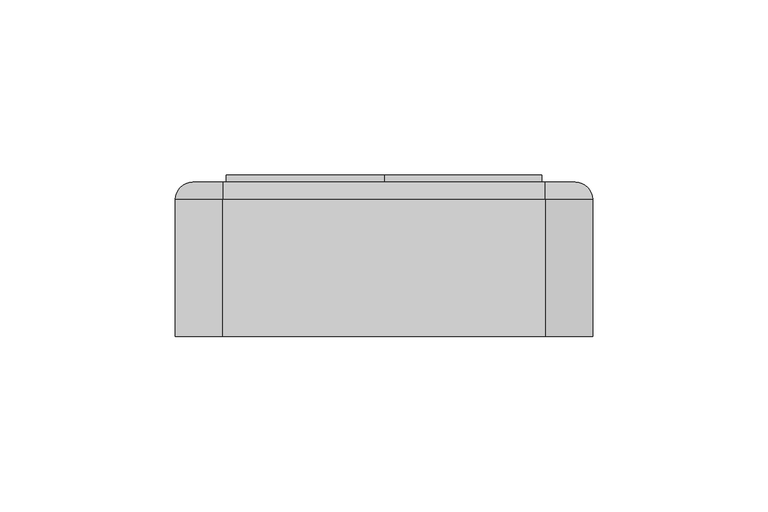
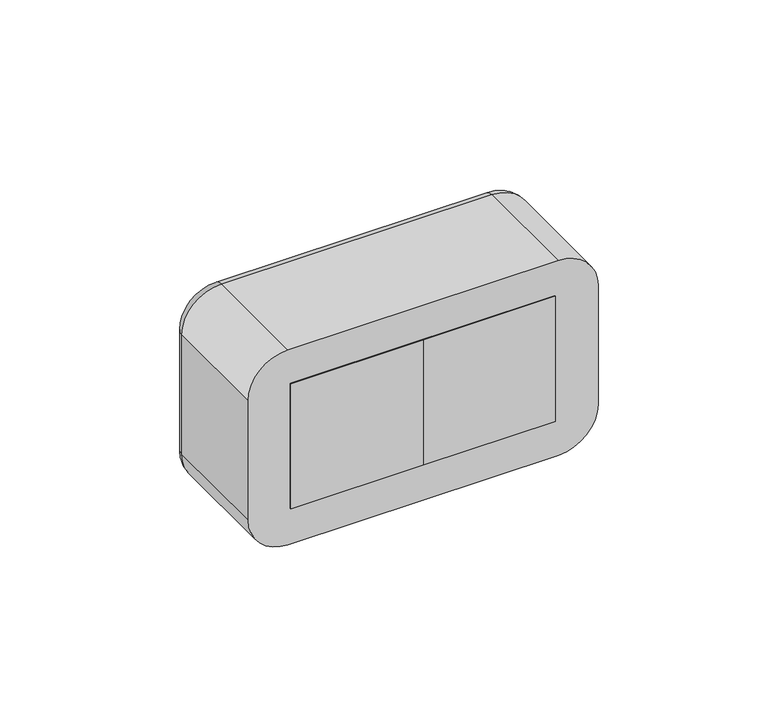
"""IFC4 building model written with IfcOpenShell, lengths in millimetres: proxy geometry."""

from ifc_helpers import new_model, si_unit, point, frame, frame_2d, origin, place, context, project, spatial, polyline, circle_curve, ellipse_curve, trimmed, segment, composite_curve, outline, extrude, source, transform, mapped, element, save
from ifc_brep_helpers import plane_surface, cylinder_surface, revolved_surface, advanced_brep


def electrical_fixtures_337bde4b(model_context):
    return source(origin(), model_context, "Body", "SolidModel", [
        advanced_brep(
        [(0.0, 44.0, 22.5), (0.0, 44.0, -22.5), (-45.0, 44.0, -22.5), (-45.0, 44.0, 22.5), (-40.5, 44.0, 0.0), (-4.5, 44.0, 0.0), (0.0, 36.0, 22.5), (-45.0, 36.0, 22.5), (-45.0, 36.0, -22.5), (0.0, 36.0, -22.5), (-29.5, 36.0, 0.0), (-34.5, 36.0, 0.0), (-10.5, 36.0, 0.0), (-15.5, 36.0, 0.0), (-40.5, 37.0, 0.0), (-4.5, 37.0, 0.0), (-34.5, 37.0, 0.0), (-29.5, 37.0, 0.0), (-15.5, 37.0, 0.0), (-10.5, 37.0, 0.0)],
        [
            (0, 1),
            (1, 2),
            (2, 3),
            (3, 0),
            (4, 5, circle_curve(frame((-22.5, 44.0, 0.0), z_axis=(0.0, -1.0, 0.0), x_axis=(1.0, 0.0, 0.0)), 18.0)),
            (5, 4, circle_curve(frame((-22.5, 44.0, 0.0), z_axis=(0.0, -1.0, 0.0), x_axis=(1.0, 0.0, 0.0)), 18.0)),
            (6, 7),
            (7, 8),
            (8, 9),
            (9, 6),
            (10, 11, circle_curve(frame((-32.0, 36.0, 0.0), z_axis=(0.0, 1.0, 0.0), x_axis=(1.0, 0.0, 0.0)), 2.5)),
            (11, 10, circle_curve(frame((-32.0, 36.0, 0.0), z_axis=(0.0, 1.0, 0.0), x_axis=(1.0, 0.0, 0.0)), 2.5)),
            (12, 13, circle_curve(frame((-13.0, 36.0, 0.0), z_axis=(0.0, 1.0, 0.0), x_axis=(1.0, 0.0, 0.0)), 2.5)),
            (13, 12, circle_curve(frame((-13.0, 36.0, 0.0), z_axis=(0.0, 1.0, 0.0), x_axis=(1.0, 0.0, 0.0)), 2.5)),
            (3, 7),
            (6, 0),
            (2, 8),
            (1, 9),
            (14, 15, circle_curve(frame((-22.5, 37.0, 0.0), z_axis=(0.0, 1.0, 0.0), x_axis=(1.0, 0.0, 0.0)), 18.0)),
            (15, 14, circle_curve(frame((-22.5, 37.0, 0.0), z_axis=(0.0, 1.0, 0.0), x_axis=(1.0, 0.0, 0.0)), 18.0)),
            (16, 17, circle_curve(frame((-32.0, 37.0, 0.0), z_axis=(0.0, -1.0, 0.0), x_axis=(1.0, 0.0, 0.0)), 2.5)),
            (17, 16, circle_curve(frame((-32.0, 37.0, 0.0), z_axis=(0.0, -1.0, 0.0), x_axis=(1.0, 0.0, 0.0)), 2.5)),
            (18, 19, circle_curve(frame((-13.0, 37.0, 0.0), z_axis=(0.0, -1.0, 0.0), x_axis=(1.0, 0.0, 0.0)), 2.5)),
            (19, 18, circle_curve(frame((-13.0, 37.0, 0.0), z_axis=(0.0, -1.0, 0.0), x_axis=(1.0, 0.0, 0.0)), 2.5)),
            (15, 5),
            (4, 14),
            (10, 17),
            (16, 11),
            (12, 19),
            (18, 13),
        ],
        [
            plane_surface(frame((-61.5, 44.0, 22.5), z_axis=(0.0, 1.0, 0.0), x_axis=(1.0, 0.0, 0.0))),
            plane_surface(frame((-61.5, 36.0, 22.5), z_axis=(0.0, -1.0, 0.0), x_axis=(-1.0, 0.0, 0.0))),
            plane_surface(frame((0.0, 36.0, 22.5), z_axis=(0.0, 0.0, 1.0), x_axis=(0.0, 1.0, 0.0))),
            plane_surface(frame((-45.0, 36.0, 22.5), z_axis=(-1.0, 0.0, 0.0), x_axis=(0.0, 1.0, 0.0))),
            plane_surface(frame((-45.0, 36.0, -22.5), z_axis=(0.0, 0.0, -1.0), x_axis=(0.0, 1.0, 0.0))),
            plane_surface(frame((0.0, 36.0, -22.5), z_axis=(1.0, 0.0, 0.0), x_axis=(0.0, 1.0, 0.0))),
            plane_surface(frame((-4.5, 37.0, 0.0), z_axis=(0.0, 1.0, 0.0), x_axis=(0.0, 0.0, 1.0))),
            revolved_surface(polyline([(-4.5, 37.0, 0.0), (-4.5, 44.0, 0.0)]), (-22.5, 44.0, 0.0), (0.0, -1.0, 0.0)),
            revolved_surface(polyline([(-29.5, 36.0, 0.0), (-29.5, 37.0, 0.0)]), (-32.0, 37.0, 0.0), (0.0, -1.0, 0.0)),
            revolved_surface(polyline([(-10.5, 36.0, 0.0), (-10.5, 37.0, 0.0)]), (-13.0, 36.0, 0.0), (0.0, -1.0, 0.0)),
        ],
        [
            (0, [[1, 2, 3, 4], [5, 6]]),
            (1, [[7, 8, 9, 10], [11, 12], [13, 14]]),
            (2, [[-4, 15, -7, 16]]),
            (3, [[-3, 17, -8, -15]]),
            (4, [[-2, 18, -9, -17]]),
            (5, [[-1, -16, -10, -18]]),
            (6, [[19, 20], [21, 22], [23, 24]]),
            (7, [[-20, 25, -5, 26]]),
            (7, [[-19, -26, -6, -25]]),
            (8, [[27, -21, 28, -11]]),
            (8, [[-27, -12, -28, -22]]),
            (9, [[29, -23, 30, -13]]),
            (9, [[-29, -14, -30, -24]]),
        ],
    ),
        extrude(outline(polyline([(0.0, 0.0), (-45.0, 0.0), (-45.0, 36.0), (0.0, 36.0), (0.0, 0.0)])), frame((0.0, 0.0, -22.5), z_axis=(0.0, 0.0, 1.0), x_axis=(1.0, 0.0, 0.0)), (0.0, 0.0, 1.0), 45.0),
        extrude(outline(polyline([(0.0, 44.0), (-45.0, 44.0), (-45.0, 46.0), (0.0, 46.0), (0.0, 44.0)])), frame((0.0, 0.0, -22.5), z_axis=(0.0, 0.0, 1.0), x_axis=(1.0, 0.0, 0.0)), (0.0, 0.0, 1.0), 45.0),
        extrude(outline(composite_curve([segment(polyline([(-16.0, -24.0), (-17.9373911, -24.0)]), True, "CONTINUOUS"), segment(trimmed(circle_curve(frame_2d((0.0, -22.5)), 18.0), [point((-17.9373911, -24.0))], [point((-17.9373911, -21.0))], False, "CARTESIAN"), True, "CONTINUOUS"), segment(polyline([(-17.9373911, -21.0), (-16.0, -21.0), (-16.0, -24.0)]), True, "CONTINUOUS")], self_intersect=False)), frame((0.0, 37.0, 0.0), z_axis=(0.0, 1.0, 0.0), x_axis=(0.0, 0.0, 1.0)), (0.0, 0.0, 1.0), 6.0),
        extrude(outline(composite_curve([segment(polyline([(16.0, -24.0), (16.0, -21.0), (17.9373911, -21.0)]), True, "CONTINUOUS"), segment(trimmed(circle_curve(frame_2d((0.0, -22.5)), 18.0), [point((17.9373911, -21.0))], [point((17.9373911, -24.0))], False, "CARTESIAN"), True, "CONTINUOUS"), segment(polyline([(17.9373911, -24.0), (16.0, -24.0)]), True, "CONTINUOUS")], self_intersect=False)), frame((0.0, 37.0, 0.0), z_axis=(0.0, 1.0, 0.0), x_axis=(0.0, 0.0, 1.0)), (0.0, 0.0, 1.0), 6.0),
        extrude(outline(composite_curve([segment(polyline([(8.2462113, -6.5), (2.0, -6.5), (2.0, -4.6114562)]), True, "CONTINUOUS"), segment(trimmed(circle_curve(frame_2d((0.0, -22.5)), 18.0), [point((2.0, -4.6114562))], [point((8.2462113, -6.5))], False, "CARTESIAN"), True, "CONTINUOUS")], self_intersect=False)), frame((0.0, 37.0, 0.0), z_axis=(0.0, 1.0, 0.0), x_axis=(0.0, 0.0, 1.0)), (0.0, 0.0, 1.0), 6.0),
        extrude(outline(composite_curve([segment(trimmed(circle_curve(frame_2d((0.0, -22.5)), 18.0), [point((-8.2462113, -6.5))], [point((-2.0, -4.6114562))], False, "CARTESIAN"), True, "CONTINUOUS"), segment(polyline([(-2.0, -4.6114562), (-2.0, -6.5), (-8.2462113, -6.5)]), True, "CONTINUOUS")], self_intersect=False)), frame((0.0, 37.0, 0.0), z_axis=(0.0, 1.0, 0.0), x_axis=(0.0, 0.0, 1.0)), (0.0, 0.0, 1.0), 6.0),
        extrude(outline(composite_curve([segment(polyline([(-8.2462113, -38.5), (-2.0, -38.5), (-2.0, -40.3885438)]), True, "CONTINUOUS"), segment(trimmed(circle_curve(frame_2d((0.0, -22.5)), 18.0), [point((-2.0, -40.3885438))], [point((-8.2462113, -38.5))], False, "CARTESIAN"), True, "CONTINUOUS")], self_intersect=False)), frame((0.0, 37.0, 0.0), z_axis=(0.0, 1.0, 0.0), x_axis=(0.0, 0.0, 1.0)), (0.0, 0.0, 1.0), 6.0),
        extrude(outline(composite_curve([segment(trimmed(circle_curve(frame_2d((0.0, -22.5)), 18.0), [point((8.2462113, -38.5))], [point((2.0, -40.3885438))], False, "CARTESIAN"), True, "CONTINUOUS"), segment(polyline([(2.0, -40.3885438), (2.0, -38.5), (8.2462113, -38.5)]), True, "CONTINUOUS")], self_intersect=False)), frame((0.0, 37.0, 0.0), z_axis=(0.0, 1.0, 0.0), x_axis=(0.0, 0.0, 1.0)), (0.0, 0.0, 1.0), 6.0),
        advanced_brep(
        [(45.0, 44.0, 22.5), (45.0, 44.0, -22.5), (0.0, 44.0, -22.5), (0.0, 44.0, 22.5), (4.5, 44.0, 0.0), (40.5, 44.0, 0.0), (45.0, 36.0, 22.5), (0.0, 36.0, 22.5), (0.0, 36.0, -22.5), (45.0, 36.0, -22.5), (15.5, 36.0, 0.0), (10.5, 36.0, 0.0), (34.5, 36.0, 0.0), (29.5, 36.0, 0.0), (4.5, 37.0, 0.0), (40.5, 37.0, 0.0), (10.5, 37.0, 0.0), (15.5, 37.0, 0.0), (29.5, 37.0, 0.0), (34.5, 37.0, 0.0)],
        [
            (0, 1),
            (1, 2),
            (2, 3),
            (3, 0),
            (4, 5, circle_curve(frame((22.5, 44.0, 0.0), z_axis=(0.0, -1.0, 0.0), x_axis=(1.0, 0.0, 0.0)), 18.0)),
            (5, 4, circle_curve(frame((22.5, 44.0, 0.0), z_axis=(0.0, -1.0, 0.0), x_axis=(1.0, 0.0, 0.0)), 18.0)),
            (6, 7),
            (7, 8),
            (8, 9),
            (9, 6),
            (10, 11, circle_curve(frame((13.0, 36.0, 0.0), z_axis=(0.0, 1.0, 0.0), x_axis=(1.0, 0.0, 0.0)), 2.5)),
            (11, 10, circle_curve(frame((13.0, 36.0, 0.0), z_axis=(0.0, 1.0, 0.0), x_axis=(1.0, 0.0, 0.0)), 2.5)),
            (12, 13, circle_curve(frame((32.0, 36.0, 0.0), z_axis=(0.0, 1.0, 0.0), x_axis=(1.0, 0.0, 0.0)), 2.5)),
            (13, 12, circle_curve(frame((32.0, 36.0, 0.0), z_axis=(0.0, 1.0, 0.0), x_axis=(1.0, 0.0, 0.0)), 2.5)),
            (3, 7),
            (6, 0),
            (2, 8),
            (1, 9),
            (14, 15, circle_curve(frame((22.5, 37.0, 0.0), z_axis=(0.0, 1.0, 0.0), x_axis=(1.0, 0.0, 0.0)), 18.0)),
            (15, 14, circle_curve(frame((22.5, 37.0, 0.0), z_axis=(0.0, 1.0, 0.0), x_axis=(1.0, 0.0, 0.0)), 18.0)),
            (16, 17, circle_curve(frame((13.0, 37.0, 0.0), z_axis=(0.0, -1.0, 0.0), x_axis=(1.0, 0.0, 0.0)), 2.5)),
            (17, 16, circle_curve(frame((13.0, 37.0, 0.0), z_axis=(0.0, -1.0, 0.0), x_axis=(1.0, 0.0, 0.0)), 2.5)),
            (18, 19, circle_curve(frame((32.0, 37.0, 0.0), z_axis=(0.0, -1.0, 0.0), x_axis=(1.0, 0.0, 0.0)), 2.5)),
            (19, 18, circle_curve(frame((32.0, 37.0, 0.0), z_axis=(0.0, -1.0, 0.0), x_axis=(1.0, 0.0, 0.0)), 2.5)),
            (15, 5),
            (4, 14),
            (10, 17),
            (16, 11),
            (12, 19),
            (18, 13),
        ],
        [
            plane_surface(frame((-16.5, 44.0, 22.5), z_axis=(0.0, 1.0, 0.0), x_axis=(1.0, 0.0, 0.0))),
            plane_surface(frame((-16.5, 36.0, 22.5), z_axis=(0.0, -1.0, 0.0), x_axis=(-1.0, 0.0, 0.0))),
            plane_surface(frame((45.0, 36.0, 22.5), z_axis=(0.0, 0.0, 1.0), x_axis=(0.0, 1.0, 0.0))),
            plane_surface(frame((0.0, 36.0, 22.5), z_axis=(-1.0, 0.0, 0.0), x_axis=(0.0, 1.0, 0.0))),
            plane_surface(frame((0.0, 36.0, -22.5), z_axis=(0.0, 0.0, -1.0), x_axis=(0.0, 1.0, 0.0))),
            plane_surface(frame((45.0, 36.0, -22.5), z_axis=(1.0, 0.0, 0.0), x_axis=(0.0, 1.0, 0.0))),
            plane_surface(frame((40.5, 37.0, 0.0), z_axis=(0.0, 1.0, 0.0), x_axis=(0.0, 0.0, 1.0))),
            revolved_surface(polyline([(40.5, 37.0, 0.0), (40.5, 44.0, 0.0)]), (22.5, 44.0, 0.0), (0.0, -1.0, 0.0)),
            revolved_surface(polyline([(15.5, 36.0, 0.0), (15.5, 37.0, 0.0)]), (13.0, 37.0, 0.0), (0.0, -1.0, 0.0)),
            revolved_surface(polyline([(34.5, 36.0, 0.0), (34.5, 37.0, 0.0)]), (32.0, 36.0, 0.0), (0.0, -1.0, 0.0)),
        ],
        [
            (0, [[1, 2, 3, 4], [5, 6]]),
            (1, [[7, 8, 9, 10], [11, 12], [13, 14]]),
            (2, [[-4, 15, -7, 16]]),
            (3, [[-3, 17, -8, -15]]),
            (4, [[-2, 18, -9, -17]]),
            (5, [[-1, -16, -10, -18]]),
            (6, [[19, 20], [21, 22], [23, 24]]),
            (7, [[-20, 25, -5, 26]]),
            (7, [[-19, -26, -6, -25]]),
            (8, [[27, -21, 28, -11]]),
            (8, [[-27, -12, -28, -22]]),
            (9, [[29, -23, 30, -13]]),
            (9, [[-29, -14, -30, -24]]),
        ],
    ),
        extrude(outline(polyline([(45.0, 0.0), (0.0, 0.0), (0.0, 36.0), (45.0, 36.0), (45.0, 0.0)])), frame((0.0, 0.0, -22.5), z_axis=(0.0, 0.0, 1.0), x_axis=(1.0, 0.0, 0.0)), (0.0, 0.0, 1.0), 45.0),
        extrude(outline(polyline([(45.0, 44.0), (0.0, 44.0), (0.0, 46.0), (45.0, 46.0), (45.0, 44.0)])), frame((0.0, 0.0, -22.5), z_axis=(0.0, 0.0, 1.0), x_axis=(1.0, 0.0, 0.0)), (0.0, 0.0, 1.0), 45.0),
        extrude(outline(composite_curve([segment(polyline([(-16.0, 21.0), (-17.9373911, 21.0)]), True, "CONTINUOUS"), segment(trimmed(circle_curve(frame_2d((0.0, 22.5)), 18.0), [point((-17.9373911, 21.0))], [point((-17.9373911, 24.0))], False, "CARTESIAN"), True, "CONTINUOUS"), segment(polyline([(-17.9373911, 24.0), (-16.0, 24.0), (-16.0, 21.0)]), True, "CONTINUOUS")], self_intersect=False)), frame((0.0, 37.0, 0.0), z_axis=(0.0, 1.0, 0.0), x_axis=(0.0, 0.0, 1.0)), (0.0, 0.0, 1.0), 6.0),
        extrude(outline(composite_curve([segment(polyline([(16.0, 21.0), (16.0, 24.0), (17.9373911, 24.0)]), True, "CONTINUOUS"), segment(trimmed(circle_curve(frame_2d((0.0, 22.5)), 18.0), [point((17.9373911, 24.0))], [point((17.9373911, 21.0))], False, "CARTESIAN"), True, "CONTINUOUS"), segment(polyline([(17.9373911, 21.0), (16.0, 21.0)]), True, "CONTINUOUS")], self_intersect=False)), frame((0.0, 37.0, 0.0), z_axis=(0.0, 1.0, 0.0), x_axis=(0.0, 0.0, 1.0)), (0.0, 0.0, 1.0), 6.0),
        extrude(outline(composite_curve([segment(polyline([(8.2462113, 38.5), (2.0, 38.5), (2.0, 40.3885438)]), True, "CONTINUOUS"), segment(trimmed(circle_curve(frame_2d((0.0, 22.5)), 18.0), [point((2.0, 40.3885438))], [point((8.2462113, 38.5))], False, "CARTESIAN"), True, "CONTINUOUS")], self_intersect=False)), frame((0.0, 37.0, 0.0), z_axis=(0.0, 1.0, 0.0), x_axis=(0.0, 0.0, 1.0)), (0.0, 0.0, 1.0), 6.0),
        extrude(outline(composite_curve([segment(trimmed(circle_curve(frame_2d((0.0, 22.5)), 18.0), [point((-8.2462113, 38.5))], [point((-2.0, 40.3885438))], False, "CARTESIAN"), True, "CONTINUOUS"), segment(polyline([(-2.0, 40.3885438), (-2.0, 38.5), (-8.2462113, 38.5)]), True, "CONTINUOUS")], self_intersect=False)), frame((0.0, 37.0, 0.0), z_axis=(0.0, 1.0, 0.0), x_axis=(0.0, 0.0, 1.0)), (0.0, 0.0, 1.0), 6.0),
        extrude(outline(composite_curve([segment(polyline([(-8.2462113, 6.5), (-2.0, 6.5), (-2.0, 4.6114562)]), True, "CONTINUOUS"), segment(trimmed(circle_curve(frame_2d((0.0, 22.5)), 18.0), [point((-2.0, 4.6114562))], [point((-8.2462113, 6.5))], False, "CARTESIAN"), True, "CONTINUOUS")], self_intersect=False)), frame((0.0, 37.0, 0.0), z_axis=(0.0, 1.0, 0.0), x_axis=(0.0, 0.0, 1.0)), (0.0, 0.0, 1.0), 6.0),
        extrude(outline(composite_curve([segment(trimmed(circle_curve(frame_2d((0.0, 22.5)), 18.0), [point((8.2462113, 6.5))], [point((2.0, 4.6114562))], False, "CARTESIAN"), True, "CONTINUOUS"), segment(polyline([(2.0, 4.6114562), (2.0, 6.5), (8.2462113, 6.5)]), True, "CONTINUOUS")], self_intersect=False)), frame((0.0, 37.0, 0.0), z_axis=(0.0, 1.0, 0.0), x_axis=(0.0, 0.0, 1.0)), (0.0, 0.0, 1.0), 6.0),
        advanced_brep(
        [(45.9328665, 44.0, 30.0), (54.5, 44.0, 21.4328665), (54.5, 44.0, -21.4328665), (45.9328665, 44.0, -30.0), (-45.9328665, 44.0, -30.0), (-54.5, 44.0, -21.4328665), (-54.5, 44.0, 21.4328665), (-45.9328665, 44.0, 30.0), (45.0, 44.0, 22.5), (-45.0, 44.0, 22.5), (-45.0, 44.0, -22.5), (45.0, 44.0, -22.5), (-45.9328665, 0.0, 35.0), (-59.5, 0.0, 21.4328665), (-59.5, 0.0, -21.4328665), (-45.9328665, 0.0, -35.0), (45.9328665, 0.0, -35.0), (59.5, 0.0, -21.4328665), (59.5, 0.0, 21.4328665), (45.9328665, 0.0, 35.0), (45.0, 2.0, -22.5), (45.0, 2.0, 22.5), (-45.0, 2.0, -22.5), (-45.0, 2.0, 22.5), (-59.5, 39.0, 21.4328665), (-59.5, 39.0, -21.4328665), (-45.9328665, 39.0, -35.0), (45.9328665, 39.0, -35.0), (59.5, 39.0, -21.4328665), (59.5, 39.0, 21.4328665), (45.9328665, 39.0000072, 35.0), (-45.9328665, 39.0, 35.0)],
        [
            (0, 1, circle_curve(frame((45.9328665, 44.0, 21.4328665), z_axis=(0.0, 1.0, 0.0), x_axis=(0.0, 0.0, 1.0)), 8.5671335)),
            (1, 2),
            (2, 3, circle_curve(frame((45.9328665, 44.0, -21.4328665), z_axis=(0.0, 1.0, 0.0), x_axis=(1.0, 0.0, 0.0)), 8.5671335)),
            (3, 4),
            (4, 5, circle_curve(frame((-45.9328665, 44.0, -21.4328665), z_axis=(0.0, 1.0, 0.0), x_axis=(0.0, 0.0, -1.0)), 8.5671335)),
            (5, 6),
            (6, 7, circle_curve(frame((-45.9328665, 44.0, 21.4328665), z_axis=(0.0, 1.0, 0.0), x_axis=(-1.0, 0.0, 0.0)), 8.5671335)),
            (7, 0),
            (8, 9),
            (9, 10),
            (10, 11),
            (11, 8),
            (12, 13, circle_curve(frame((-45.9328665, 0.0, 21.4328665), z_axis=(0.0, -1.0, 0.0), x_axis=(1.0, 0.0, 0.0)), 13.5671335)),
            (13, 14),
            (14, 15, circle_curve(frame((-45.9328665, 0.0, -21.4328665), z_axis=(0.0, -1.0, 0.0), x_axis=(1.0, 0.0, 0.0)), 13.5671335)),
            (15, 16),
            (16, 17, circle_curve(frame((45.9328665, 0.0, -21.4328665), z_axis=(0.0, -1.0, 0.0), x_axis=(1.0, 0.0, 0.0)), 13.5671335)),
            (17, 18),
            (18, 19, circle_curve(frame((45.9328665, 0.0, 21.4328665), z_axis=(0.0, -1.0, 0.0), x_axis=(1.0, 0.0, 0.0)), 13.5671335)),
            (19, 12),
            (11, 20),
            (20, 21),
            (21, 8),
            (10, 22),
            (22, 20),
            (9, 23),
            (23, 22),
            (21, 23),
            (13, 24),
            (24, 25),
            (25, 14),
            (15, 26),
            (26, 27),
            (27, 16),
            (17, 28),
            (28, 29),
            (29, 18),
            (19, 30),
            (30, 31),
            (31, 12),
            (31, 24, circle_curve(frame((-45.9328665, 39.0, 21.4328665), z_axis=(0.0, -1.0, 0.0), x_axis=(1.0, 0.0, 0.0)), 13.5671335)),
            (25, 26, circle_curve(frame((-45.9328665, 39.0, -21.4328665), z_axis=(0.0, -1.0, 0.0), x_axis=(1.0, 0.0, 0.0)), 13.5671335)),
            (27, 28, circle_curve(frame((45.9328665, 39.0, -21.4328665), z_axis=(0.0, -1.0, 0.0), x_axis=(1.0, 0.0, 0.0)), 13.5671335)),
            (29, 30, circle_curve(frame((45.9328665, 39.0, 21.4328665), z_axis=(0.0, -1.0, 0.0), x_axis=(1.0, 0.0, 0.0)), 13.5671335)),
            (29, 1, circle_curve(frame((54.5, 39.0, 21.4328665), z_axis=(0.0, 0.0, 1.0), x_axis=(0.0, 1.0, 0.0)), 5.0)),
            (0, 30, circle_curve(frame((45.9328665, 39.0, 30.0), z_axis=(1.0, 0.0, 0.0), x_axis=(0.0, 1.0, 0.0)), 5.0)),
            (28, 2, circle_curve(frame((54.5, 39.0, -21.4328665), z_axis=(0.0, 0.0, 1.0), x_axis=(0.0, 1.0, 0.0)), 5.0)),
            (27, 3, circle_curve(frame((45.9328665, 39.0, -30.0), z_axis=(1.0, 0.0, 0.0), x_axis=(0.0, 1.0, 0.0)), 5.0)),
            (26, 4, circle_curve(frame((-45.9328665, 39.0, -30.0), z_axis=(1.0, 0.0, 0.0), x_axis=(0.0, 1.0, 0.0)), 5.0)),
            (25, 5, circle_curve(frame((-54.5, 39.0, -21.4328665), z_axis=(0.0, 0.0, -1.0), x_axis=(0.0, 1.0, 0.0)), 5.0)),
            (24, 6, circle_curve(frame((-54.5, 39.0, 21.4328665), z_axis=(0.0, 0.0, -1.0), x_axis=(0.0, 1.0, 0.0)), 5.0)),
            (31, 7, circle_curve(frame((-45.9328665, 39.0, 30.0), z_axis=(-1.0, 0.0, 0.0), x_axis=(0.0, 1.0, 0.0)), 5.0)),
        ],
        [
            plane_surface(frame((45.0, 44.0, 6.9412233), z_axis=(0.0, 1.0, 0.0), x_axis=(0.0, 0.0, 1.0))),
            plane_surface(frame((45.0, 0.0, 6.9412233), z_axis=(0.0, -1.0, 0.0), x_axis=(0.0, 0.0, -1.0))),
            plane_surface(frame((45.0, 0.0, 22.5), z_axis=(-1.0, 0.0, 0.0), x_axis=(0.0, 1.0, 0.0))),
            plane_surface(frame((45.0, 0.0, -22.5), z_axis=(0.0, 0.0, 1.0), x_axis=(0.0, 1.0, 0.0))),
            plane_surface(frame((-45.0, 0.0, -22.5), z_axis=(1.0, 0.0, 0.0), x_axis=(0.0, 1.0, 0.0))),
            plane_surface(frame((-45.0, 0.0, 22.5), z_axis=(0.0, 0.0, -1.0), x_axis=(0.0, 1.0, 0.0))),
            plane_surface(frame((-59.5, 0.0, 21.4328665), z_axis=(-1.0, 0.0, 0.0), x_axis=(0.0, 1.0, 0.0))),
            plane_surface(frame((-45.9328665, 0.0, -35.0), z_axis=(0.0, 0.0, -1.0), x_axis=(0.0, 1.0, 0.0))),
            plane_surface(frame((59.5, 0.0, -21.4328665), z_axis=(1.0, 0.0, 0.0), x_axis=(0.0, 1.0, 0.0))),
            plane_surface(frame((45.9328665, 0.0, 35.0), z_axis=(0.0, 0.0, 1.0), x_axis=(0.0, 1.0, 0.0))),
            cylinder_surface(frame((-45.9328665, 0.0, 21.4328665), z_axis=(0.0, -1.0, 0.0), x_axis=(1.0, 0.0, 0.0)), 13.5671335),
            cylinder_surface(frame((-45.9328665, 0.0, -21.4328665), z_axis=(0.0, -1.0, 0.0), x_axis=(1.0, 0.0, 0.0)), 13.5671335),
            cylinder_surface(frame((45.9328665, 0.0, -21.4328665), z_axis=(0.0, -1.0, 0.0), x_axis=(1.0, 0.0, 0.0)), 13.5671335),
            cylinder_surface(frame((45.9328665, 0.0, 21.4328665), z_axis=(0.0, -1.0, 0.0), x_axis=(1.0, 0.0, 0.0)), 13.5671335),
            plane_surface(frame((-45.0, 2.0, 22.5), z_axis=(0.0, 1.0, 0.0), x_axis=(0.0, 0.0, 1.0))),
            revolved_surface(trimmed(ellipse_curve(frame((45.9328665, 39.0, 30.0), z_axis=(-1.0, 0.0, 0.0), x_axis=(0.0, 1.0, 0.0)), 5.0, 5.0), [point((45.9328665, 39.0, 35.0))], [point((45.9328665, 44.0, 30.0))], True, "CARTESIAN"), (45.9328665, 44.0, 21.4328665), (0.0, 1.0, 0.0)),
            cylinder_surface(frame((54.5, 39.0, 21.4328665), z_axis=(0.0, 0.0, -1.0), x_axis=(0.0, 1.0, 0.0)), 5.0),
            revolved_surface(trimmed(ellipse_curve(frame((54.5, 39.0, -21.4328665), z_axis=(0.0, 0.0, 1.0), x_axis=(0.0, 1.0, 0.0)), 5.0, 5.0), [point((59.5, 39.0, -21.4328665))], [point((54.5, 44.0, -21.4328665))], True, "CARTESIAN"), (45.9328665, 44.0, -21.4328665), (0.0, 1.0, 0.0)),
            cylinder_surface(frame((45.9328665, 39.0, -30.0), z_axis=(-1.0, 0.0, 0.0), x_axis=(0.0, 1.0, 0.0)), 5.0),
            revolved_surface(trimmed(ellipse_curve(frame((-45.9328665, 39.0, -30.0), z_axis=(1.0, 0.0, 0.0), x_axis=(0.0, 1.0, 0.0)), 5.0, 5.0), [point((-45.9328665, 39.0, -35.0))], [point((-45.9328665, 44.0, -30.0))], True, "CARTESIAN"), (-45.9328665, 44.0, -21.4328665), (0.0, 1.0, 0.0)),
            cylinder_surface(frame((-54.5, 39.0, -21.4328665), z_axis=(0.0, 0.0, 1.0), x_axis=(0.0, 1.0, 0.0)), 5.0),
            revolved_surface(trimmed(ellipse_curve(frame((-54.5, 39.0, 21.4328665), z_axis=(0.0, 0.0, -1.0), x_axis=(0.0, 1.0, 0.0)), 5.0, 5.0), [point((-59.5, 39.0, 21.4328665))], [point((-54.5, 44.0, 21.4328665))], True, "CARTESIAN"), (-45.9328665, 44.0, 21.4328665), (0.0, 1.0, 0.0)),
            cylinder_surface(frame((-45.9328665, 39.0, 30.0), z_axis=(1.0, 0.0, 0.0), x_axis=(0.0, 1.0, 0.0)), 5.0),
        ],
        [
            (0, [[1, 2, 3, 4, 5, 6, 7, 8], [9, 10, 11, 12]]),
            (1, [[13, 14, 15, 16, 17, 18, 19, 20]]),
            (2, [[-12, 21, 22, 23]]),
            (3, [[-11, 24, 25, -21]]),
            (4, [[-10, 26, 27, -24]]),
            (5, [[-9, -23, 28, -26]]),
            (6, [[-14, 29, 30, 31]]),
            (7, [[-16, 32, 33, 34]]),
            (8, [[-18, 35, 36, 37]]),
            (9, [[-20, 38, 39, 40]]),
            (10, [[-13, -40, 41, -29]]),
            (11, [[-15, -31, 42, -32]]),
            (12, [[-17, -34, 43, -35]]),
            (13, [[-19, -37, 44, -38]]),
            (14, [[-22, -25, -27, -28]]),
            (15, [[45, -1, 46, -44]]),
            (16, [[-45, -36, 47, -2]]),
            (17, [[-47, -43, 48, -3]]),
            (18, [[-48, -33, 49, -4]]),
            (19, [[-49, -42, 50, -5]]),
            (20, [[-50, -30, 51, -6]]),
            (21, [[-51, -41, 52, -7]]),
            (22, [[-46, -8, -52, -39]]),
        ],
    ),
    ])


if __name__ == "__main__":
    model = new_model("IFC4")
    model_context = context("Model", 3, world=origin())
    ifc_project = project(units=[si_unit("LENGTHUNIT", "METRE", prefix="MILLI")], contexts=[model_context])
    site = spatial("IfcSite", under=ifc_project)
    building = spatial("IfcBuilding", under=site)
    placement = place(None, origin())
    electrical_fixtures_shape = electrical_fixtures_337bde4b(model_context)
    element("IfcBuildingElementProxy", 1, Name="Electrical Fixtures", at=placement, inside=building, context=model_context, shape_type="MappedRepresentation", body=[
        mapped(electrical_fixtures_shape, transform((0.0, 0.0, 0.0), x_axis=(1.0, 0.0, 0.0), y_axis=(0.0, 1.0, 0.0), z_axis=(0.0, 0.0, 1.0))),
    ])
    save(model, "model.ifc")
